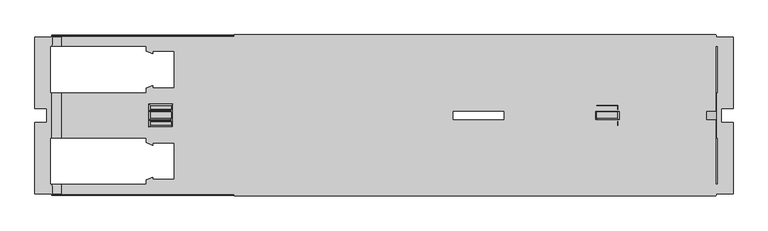
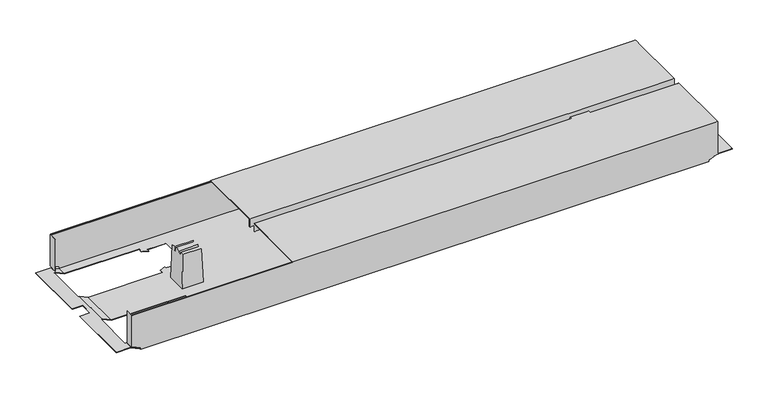
"""IFC4 building model written with IfcOpenShell, lengths in millimetres: furniture geometry."""

from ifc_helpers import new_model, si_unit, origin, place, context, project, spatial, triangles, source, transform, mapped, element, save


def furniture_945a3457(model_context):
    return source(origin(), model_context, "Body", "Tessellation", [
        triangles([(3602.0150716, -262.1618406, 526.9999909), (3602.0150716, -262.1618406, 507.9999879), (4630.0151144, -262.1618406, 526.9999909), (4630.0151144, -262.1618406, 507.9999879), (3602.0150716, -423.2618455, 526.9999909), (4630.0151144, -423.2618455, 526.9999909), (3602.0150716, -423.2618455, 507.9999879), (4630.0151144, -423.2618455, 507.9999879), (3602.0150716, -424.261839, 507.9999879), (4630.0151144, -424.261839, 507.9999879), (3602.0150716, -424.261839, 528.0000026), (4630.0151144, -424.261839, 528.0000026), (3602.0150716, -261.161838, 528.0000026), (4630.0151144, -261.161838, 528.0000026), (3602.0150716, -261.161838, 507.9999879), (4630.0151144, -261.161838, 507.9999879), (3602.0150716, -444.0618295, 526.9999909), (3602.0150716, -444.0618295, 507.9999879), (4630.0151144, -444.0618295, 526.9999909), (4630.0151144, -444.0618295, 507.9999879), (3602.0150716, -605.1618435, 526.9999909), (4630.0151144, -605.1618435, 526.9999909), (3602.0150716, -605.1618435, 507.9999879), (4630.0151144, -605.1618435, 507.9999879), (3602.0150716, -606.1618552, 507.9999879), (4630.0151144, -606.1618552, 507.9999879), (3602.0150716, -606.1618552, 528.0000026), (4630.0151144, -606.1618552, 528.0000026), (3602.0150716, -443.0618542, 528.0000026), (4630.0151144, -443.0618542, 528.0000026), (3602.0150716, -443.0618542, 507.9999879), (4630.0151144, -443.0618542, 507.9999879), (3234.5151197, -605.1618435, 432.000012), (4609.5152029, -605.1618435, 432.000012), (3234.5151197, -605.1618435, 435.9999859), (4609.5152029, -605.1618435, 435.9999859), (3214.5151777, -605.1618435, 445.3260155), (4629.5151449, -605.1618435, 445.3260155), (3214.5151777, -605.1618435, 526.0000156), (4629.5151449, -605.1618435, 526.0000156), (4631.5150228, -605.1618435, 445.3260155), (4631.5150228, -605.1618435, 526.0000156), (3212.5150091, -605.1618435, 526.0000156), (3212.5150091, -605.1618435, 445.3260155), (4179.1150205, -394.4618411, 432.000012), (4369.4150327, -492.4618549, 432.000012), (4179.1150205, -472.8618521, 432.000012), (4369.4150327, -570.8618296, 432.000012), (4118.9152067, -483.661847, 432.000012), (3474.6149992, -570.8618296, 432.000012), (4068.915061, -483.661847, 432.000012), (3474.6149992, -492.4618549, 432.000012), (3474.6149992, -374.8618383, 432.000012), (3414.4151853, -385.6618332, 432.000012), (3428.2152151, -374.8618383, 432.000012), (3414.4151853, -375.3778497, 432.000012), (3428.2152151, -369.6618468, 432.000012), (4132.7152364, -394.4618411, 432.000012), (4118.9152067, -383.6618462, 432.000012), (4369.4150327, -296.4618454, 432.000012), (4369.4150327, -374.8618383, 432.000012), (4132.7152364, -399.6618507, 432.000012), (4118.9152067, -394.0438433, 432.000012), (3474.6149992, -296.4618454, 432.000012), (4068.915061, -383.6618462, 432.000012), (4132.7152364, -472.8618521, 432.000012), (4118.9152067, -473.2798499, 432.000012), (4132.7152364, -467.6618425, 432.000012), (3414.4151853, -581.6618245, 432.000012), (4429.6151373, -581.6618245, 432.000012), (4609.5152029, -601.6618392, 432.000012), (4610.5151418, -581.6618245, 432.000012), (4610.5151418, -601.6618392, 432.000012), (3234.5151197, -601.6618392, 432.000012), (3233.5151807, -581.6618245, 432.000012), (3233.5151807, -601.6618392, 432.000012), (3414.4151853, -571.3778592, 432.000012), (3428.2152151, -570.8618296, 432.000012), (4415.8151075, -570.8618296, 432.000012), (3428.2152151, -565.6618563, 432.000012), (3414.4151853, -481.66186, 432.000012), (3428.2152151, -492.4618549, 432.000012), (3414.4151853, -491.9458253, 432.000012), (3428.2152151, -497.6618282, 432.000012), (3233.5151807, -481.66186, 432.000012), (3233.5151807, -385.6618332, 432.000012), (3428.2152151, -296.4618454, 432.000012), (3414.4151853, -285.6618415, 432.000012), (4429.6151373, -285.6618415, 432.000012), (4415.8151075, -296.4618454, 432.000012), (4429.6151373, -295.945834, 432.000012), (4415.8151075, -301.6618369, 432.000012), (3428.2152151, -301.6618369, 432.000012), (3414.4151853, -295.945834, 432.000012), (3233.5151807, -285.6618415, 432.000012), (3234.5151197, -265.661845, 432.000012), (3234.5151197, -262.1618406, 432.000012), (4609.5152029, -262.1618406, 432.000012), (3233.5151807, -265.661845, 432.000012), (4609.5152029, -265.661845, 432.000012), (4610.5151418, -285.6618415, 432.000012), (4610.5151418, -265.661845, 432.000012), (4415.8151075, -374.8618383, 432.000012), (4429.6151373, -385.6618332, 432.000012), (4429.6151373, -481.66186, 432.000012), (4415.8151075, -492.4618549, 432.000012), (4429.6151373, -491.9458253, 432.000012), (4415.8151075, -497.6618282, 432.000012), (4415.8151075, -369.6618468, 432.000012), (4429.6151373, -375.3778497, 432.000012), (4610.5151418, -385.6618332, 432.000012), (4610.5151418, -481.66186, 432.000012), (4415.8151075, -565.6618563, 432.000012), (4429.6151373, -571.3778592, 432.000012), (4179.1150205, -472.8618521, 432.9999873), (4369.4150327, -374.8618383, 432.9999873), (4179.1150205, -394.4618411, 432.9999873), (4369.4150327, -296.4618454, 432.9999873), (4118.9152067, -383.6618462, 432.9999873), (3474.6149992, -296.4618454, 432.9999873), (4068.915061, -383.6618462, 432.9999873), (3474.6149992, -374.8618383, 432.9999873), (3474.6149992, -492.4618549, 432.9999873), (3414.4151853, -481.66186, 432.9999873), (3428.2152151, -492.4618549, 432.9999873), (3414.4151853, -491.9458253, 432.9999873), (3428.2152151, -497.6618282, 432.9999873), (4132.7152364, -472.8618521, 432.9999873), (4118.9152067, -483.661847, 432.9999873), (4369.4150327, -570.8618296, 432.9999873), (4369.4150327, -492.4618549, 432.9999873), (4132.7152364, -467.6618425, 432.9999873), (4118.9152067, -473.2798499, 432.9999873), (3474.6149992, -570.8618296, 432.9999873), (4068.915061, -483.661847, 432.9999873), (4132.7152364, -394.4618411, 432.9999873), (4118.9152067, -394.0438433, 432.9999873), (4132.7152364, -399.6618507, 432.9999873), (4610.2930624, -285.6618415, 432.9999873), (4609.5152029, -265.661845, 432.9999873), (4429.6151373, -285.6618415, 432.9999873), (4609.5152029, -263.1618431, 432.9999873), (3414.4151853, -285.6618415, 432.9999873), (3234.5151197, -263.1618431, 432.9999873), (3234.5151197, -265.661845, 432.9999873), (4610.2930624, -265.661845, 432.9999873), (3233.7372602, -265.661845, 432.9999873), (3233.7372602, -285.6618415, 432.9999873), (3414.4151853, -295.945834, 432.9999873), (3428.2152151, -296.4618454, 432.9999873), (4415.8151075, -296.4618454, 432.9999873), (3428.2152151, -301.6618369, 432.9999873), (3414.4151853, -385.6618332, 432.9999873), (3428.2152151, -374.8618383, 432.9999873), (3414.4151853, -375.3778497, 432.9999873), (3428.2152151, -369.6618468, 432.9999873), (3233.7372602, -385.6618332, 432.9999873), (3233.7372602, -481.66186, 432.9999873), (3428.2152151, -570.8618296, 432.9999873), (3414.4151853, -581.6618245, 432.9999873), (4429.6151373, -581.6618245, 432.9999873), (4415.8151075, -570.8618296, 432.9999873), (4429.6151373, -571.3778592, 432.9999873), (4415.8151075, -565.6618563, 432.9999873), (3428.2152151, -565.6618563, 432.9999873), (3414.4151853, -571.3778592, 432.9999873), (3233.7372602, -581.6618245, 432.9999873), (3234.5151197, -601.6618392, 432.9999873), (3234.5151197, -604.1618319, 432.9999873), (4609.5152029, -604.1618319, 432.9999873), (3233.7372602, -601.6618392, 432.9999873), (4609.5152029, -601.6618392, 432.9999873), (4610.2930624, -581.6618245, 432.9999873), (4610.2930624, -601.6618392, 432.9999873), (4415.8151075, -492.4618549, 432.9999873), (4429.6151373, -481.66186, 432.9999873), (4429.6151373, -385.6618332, 432.9999873), (4415.8151075, -374.8618383, 432.9999873), (4429.6151373, -375.3778497, 432.9999873), (4415.8151075, -369.6618468, 432.9999873), (4415.8151075, -497.6618282, 432.9999873), (4429.6151373, -491.9458253, 432.9999873), (4610.2930624, -481.66186, 432.9999873), (4610.2930624, -385.6618332, 432.9999873), (4415.8151075, -301.6618369, 432.9999873), (4429.6151373, -295.945834, 432.9999873), (3234.5151197, -604.1618319, 435.9999859), (4609.5152029, -604.1618319, 435.9999859), (3214.5151777, -604.1618319, 445.3260155), (4629.5151449, -604.1618319, 445.3260155), (4629.5151449, -604.1618319, 511.9999981), (4630.5150838, -604.1618319, 445.3260155), (4630.5150838, -604.1618319, 526.0000156), (4629.5151449, -604.1618319, 526.0000156), (3214.5151777, -604.1618319, 511.9999981), (3213.5152387, -604.1618319, 445.3260155), (3213.5152387, -604.1618319, 526.0000156), (3214.5151777, -604.1618319, 526.0000156), (3214.5151777, -264.1618457, 526.0000156), (4629.5151449, -264.1618457, 526.0000156), (3214.5151777, -263.8688403, 526.7069856), (4629.5151449, -263.8688403, 526.7069856), (3214.5151777, -263.1618431, 526.9999909), (4629.5151449, -263.1618431, 526.9999909), (3214.5151777, -262.4548459, 526.7069856), (4629.5151449, -262.4548459, 526.7069856), (3214.5151777, -262.1618406, 526.0000156), (4629.5151449, -262.1618406, 526.0000156), (3214.5151777, -264.1618457, 511.9999981), (4629.5151449, -264.1618457, 511.9999981), (3214.5151777, -263.1618431, 511.9999981), (4629.5151449, -263.1618431, 511.9999981), (3214.5151777, -603.1618566, 511.9999981), (4629.5151449, -603.1618566, 511.9999981), (3214.5151777, -603.1618566, 526.0000156), (4629.5151449, -603.1618566, 526.0000156), (3214.5151777, -604.8688382, 526.7069856), (4629.5151449, -604.8688382, 526.7069856), (3214.5151777, -604.1618319, 526.9999909), (4629.5151449, -604.1618319, 526.9999909), (3214.5151777, -603.4548256, 526.7069856), (4629.5151449, -603.4548256, 526.7069856), (3214.5151777, -262.1618406, 445.3260155), (3212.5150091, -262.1618406, 445.3260155), (3212.5150091, -262.1618406, 526.0000156), (4629.5151449, -262.1618406, 445.3260155), (4631.5150228, -262.1618406, 526.0000156), (4631.5150228, -262.1618406, 445.3260155), (3234.5151197, -262.1618406, 435.9999859), (4609.5152029, -262.1618406, 435.9999859), (4629.5151449, -263.1618431, 445.3260155), (3214.5151777, -263.1618431, 445.3260155), (4609.5152029, -263.1618431, 435.9999859), (3234.5151197, -263.1618431, 435.9999859), (4630.5150838, -263.1618431, 445.3260155), (4630.5150838, -263.1618431, 526.0000156), (4629.5151449, -263.1618431, 526.0000156), (3213.5152387, -263.1618431, 445.3260155), (3213.5152387, -263.1618431, 526.0000156), (3214.5151777, -263.1618431, 526.0000156), (4631.9600538, -481.66186, 441.999983), (4631.9600538, -385.6618332, 441.999983), (4634.6151243, -481.66186, 441.999983), (4634.6151243, -385.6618332, 441.999983), (4642.5152235, -418.6618356, 441.999983), (4634.6151243, -285.6618415, 441.999983), (4667.515151, -265.661845, 441.999983), (4631.9600538, -265.661845, 441.999983), (4631.9600538, -285.6618415, 441.999983), (4667.515151, -418.6618356, 441.999983), (4642.5152235, -448.6618394, 441.999983), (4634.6151243, -581.6618245, 441.999983), (4667.515151, -601.6618392, 441.999983), (4631.9600538, -601.6618392, 441.999983), (4667.515151, -448.6618394, 441.999983), (4631.9600538, -581.6618245, 441.999983), (4634.6151243, -481.66186, 442.9999947), (4634.6151243, -581.6618245, 442.9999947), (4631.738265, -385.6618332, 442.9999947), (4631.738265, -481.66186, 442.9999947), (4634.6151243, -285.6618415, 442.9999947), (4634.6151243, -385.6618332, 442.9999947), (4642.5152235, -418.6618356, 442.9999947), (4667.515151, -265.661845, 442.9999947), (4631.738265, -265.661845, 442.9999947), (4642.5152235, -448.6618394, 442.9999947), (4667.515151, -601.6618392, 442.9999947), (4631.738265, -601.6618392, 442.9999947), (4631.738265, -581.6618245, 442.9999947), (4667.515151, -448.6618394, 442.9999947), (4667.515151, -418.6618356, 442.9999947), (4631.738265, -285.6618415, 442.9999947), (4630.5150838, -282.1618462, 526.0000156), (4630.5150838, -282.1618462, 445.3260155), (4631.5150228, -282.1618462, 445.3260155), (4631.5150228, -282.1618462, 526.0000156), (4630.5150838, -585.1618289, 445.3260155), (4630.5150838, -585.1618289, 526.0000156), (4631.5150228, -585.1618289, 445.3260155), (4631.5150228, -585.1618289, 526.0000156), (3212.5150091, -585.1618289, 526.0000156), (3212.5150091, -585.1618289, 445.3260155), (3213.5152387, -585.1618289, 526.0000156), (3213.5152387, -585.1618289, 445.3260155), (3212.5150091, -282.1618462, 445.3260155), (3212.5150091, -282.1618462, 526.0000156), (3213.5152387, -282.1618462, 445.3260155), (3213.5152387, -282.1618462, 526.0000156), (3212.2920576, -385.6618332, 442.9999947), (3212.2920576, -481.66186, 442.9999947), (3212.0702688, -481.66186, 441.999983), (3212.0702688, -385.6618332, 441.999983), (3209.4151983, -581.6618245, 441.999983), (3201.5150991, -448.6618394, 441.999983), (3209.4151983, -481.66186, 441.999983), (3201.5150991, -418.6618356, 441.999983), (3209.4151983, -385.6618332, 441.999983), (3209.4151983, -285.6618415, 441.999983), (3176.5151716, -265.661845, 441.999983), (3212.0702688, -265.661845, 441.999983), (3212.0702688, -581.6618245, 441.999983), (3212.0702688, -601.6618392, 441.999983), (3176.5151716, -601.6618392, 441.999983), (3176.5151716, -448.6618394, 441.999983), (3176.5151716, -418.6618356, 441.999983), (3212.0702688, -285.6618415, 441.999983), (3176.5151716, -448.6618394, 442.9999947), (3176.5151716, -601.6618392, 442.9999947), (3201.5150991, -448.6618394, 442.9999947), (3209.4151983, -581.6618245, 442.9999947), (3209.4151983, -481.66186, 442.9999947), (3212.2920576, -601.6618392, 442.9999947), (3212.2920576, -581.6618245, 442.9999947), (3209.4151983, -385.6618332, 442.9999947), (3201.5150991, -418.6618356, 442.9999947), (3209.4151983, -285.6618415, 442.9999947), (3176.5151716, -265.661845, 442.9999947), (3212.2920576, -265.661845, 442.9999947), (3212.2920576, -285.6618415, 442.9999947), (3176.5151716, -418.6618356, 442.9999947), (4421.5470251, -440.5628425, 519.5000127), (4421.8961317, -442.5618484, 509.5000053), (4421.5470251, -426.7608507, 519.5000127), (4421.8961317, -424.7618448, 509.5000053), (4424.5151579, -458.161841, 433.4999931), (4424.5151579, -409.1618341, 433.4999931), (4421.8961317, -444.5618353, 509.5000053), (4421.5821973, -455.2288441, 518.500001), (4421.5821973, -446.3608534, 518.500001), (4421.8961317, -422.7618397, 509.5000053), (4421.5821973, -412.0948491, 518.500001), (4421.5821973, -420.9628398, 518.500001), (4376.4832059, -440.5628425, 519.5000127), (4376.4832059, -426.7608507, 519.5000127), (4376.1340993, -442.5618484, 509.5000053), (4376.1340993, -424.7618448, 509.5000053), (4373.5150732, -458.161841, 433.4999931), (4373.5150732, -409.1618341, 433.4999931), (4376.1340993, -422.7618397, 509.5000053), (4376.4480337, -412.0948491, 518.500001), (4376.4480337, -420.9628398, 518.500001), (4376.1340993, -444.5618353, 509.5000053), (4376.4480337, -455.2288441, 518.500001), (4376.4480337, -446.3608534, 518.500001), (3467.5471166, -440.5628425, 519.5000127), (3467.8962232, -442.5618484, 509.5000053), (3467.5471166, -426.7608507, 519.5000127), (3467.8962232, -424.7618448, 509.5000053), (3470.5152494, -458.161841, 433.4999931), (3470.5152494, -409.1618341, 433.4999931), (3467.8962232, -444.5618353, 509.5000053), (3467.5819982, -455.2288441, 518.500001), (3467.5819982, -446.3608534, 518.500001), (3467.8962232, -422.7618397, 509.5000053), (3467.5819982, -412.0948491, 518.500001), (3467.5819982, -420.9628398, 518.500001), (3422.4830068, -440.5628425, 519.5000127), (3422.4830068, -426.7608507, 519.5000127), (3422.1341909, -442.5618484, 509.5000053), (3422.1341909, -424.7618448, 509.5000053), (3419.5151647, -458.161841, 433.4999931), (3419.5151647, -409.1618341, 433.4999931), (3422.1341909, -422.7618397, 509.5000053), (3422.4481252, -412.0948491, 518.500001), (3422.4481252, -420.9628398, 518.500001), (3422.1341909, -444.5618353, 509.5000053), (3422.4481252, -455.2288441, 518.500001), (3422.4481252, -446.3608534, 518.500001)], [[1, 2, 3], [3, 2, 4], [5, 1, 6], [6, 1, 3], [7, 5, 8], [8, 5, 6], [9, 7, 10], [10, 7, 8], [11, 9, 12], [12, 9, 10], [13, 11, 14], [14, 11, 12], [15, 13, 16], [16, 13, 14], [2, 15, 4], [4, 15, 16], [2, 1, 15], [15, 1, 13], [13, 1, 5], [13, 5, 11], [11, 5, 9], [9, 5, 7], [4, 16, 3], [14, 3, 16], [6, 3, 14], [12, 6, 14], [10, 6, 12], [10, 8, 6], [17, 18, 19], [19, 18, 20], [21, 17, 22], [22, 17, 19], [23, 21, 24], [24, 21, 22], [25, 23, 26], [26, 23, 24], [27, 25, 28], [28, 25, 26], [29, 27, 30], [30, 27, 28], [31, 29, 32], [32, 29, 30], [18, 31, 20], [20, 31, 32], [18, 17, 31], [31, 17, 29], [29, 17, 21], [29, 21, 27], [27, 21, 25], [25, 21, 23], [20, 32, 19], [30, 19, 32], [22, 19, 30], [28, 22, 30], [26, 22, 28], [26, 24, 22], [33, 34, 35], [35, 34, 36], [37, 35, 36], [37, 36, 38], [37, 38, 39], [39, 38, 40], [40, 38, 41], [40, 41, 42], [39, 43, 37], [37, 43, 44], [45, 46, 47], [47, 46, 48], [49, 47, 48], [50, 49, 48], [49, 50, 51], [51, 50, 52], [51, 52, 53], [53, 52, 54], [53, 54, 55], [55, 54, 56], [57, 55, 56], [45, 58, 59], [60, 45, 59], [45, 60, 61], [62, 63, 58], [58, 63, 59], [60, 59, 64], [64, 59, 65], [64, 65, 53], [53, 65, 51], [47, 49, 66], [66, 49, 67], [68, 66, 67], [33, 69, 34], [34, 69, 70], [34, 70, 71], [71, 70, 72], [71, 72, 73], [33, 74, 69], [69, 74, 75], [75, 74, 76], [69, 77, 78], [69, 78, 50], [69, 50, 70], [70, 50, 48], [70, 48, 79], [77, 80, 78], [54, 52, 81], [81, 52, 82], [81, 82, 83], [83, 82, 84], [85, 86, 81], [81, 86, 54], [64, 87, 88], [89, 64, 88], [64, 89, 60], [60, 89, 90], [90, 89, 91], [92, 90, 91], [93, 94, 87], [87, 94, 88], [95, 96, 88], [88, 96, 97], [98, 88, 97], [95, 99, 96], [88, 98, 89], [89, 98, 100], [89, 100, 101], [101, 100, 102], [61, 103, 104], [61, 104, 105], [61, 105, 46], [46, 105, 106], [106, 105, 107], [108, 106, 107], [109, 110, 103], [103, 110, 104], [111, 112, 104], [104, 112, 105], [113, 114, 79], [79, 114, 70], [45, 61, 46], [115, 116, 117], [117, 116, 118], [119, 117, 118], [120, 119, 118], [119, 120, 121], [121, 120, 122], [121, 122, 123], [123, 122, 124], [123, 124, 125], [125, 124, 126], [127, 125, 126], [115, 128, 129], [130, 115, 129], [115, 130, 131], [132, 133, 128], [128, 133, 129], [130, 129, 134], [134, 129, 135], [134, 135, 123], [123, 135, 121], [117, 119, 136], [136, 119, 137], [138, 136, 137], [139, 140, 141], [141, 140, 142], [143, 141, 142], [144, 143, 142], [143, 144, 145], [139, 146, 140], [147, 148, 145], [145, 148, 143], [143, 149, 150], [143, 150, 120], [143, 120, 141], [141, 120, 118], [141, 118, 151], [149, 152, 150], [124, 122, 153], [153, 122, 154], [153, 154, 155], [155, 154, 156], [157, 158, 153], [153, 158, 124], [134, 159, 160], [161, 134, 160], [134, 161, 130], [130, 161, 162], [162, 161, 163], [164, 162, 163], [165, 166, 159], [159, 166, 160], [167, 168, 160], [160, 168, 169], [170, 160, 169], [167, 171, 168], [160, 170, 161], [161, 170, 172], [161, 172, 173], [173, 172, 174], [131, 175, 176], [131, 176, 177], [131, 177, 116], [116, 177, 178], [178, 177, 179], [180, 178, 179], [181, 182, 175], [175, 182, 176], [183, 184, 176], [176, 184, 177], [185, 186, 151], [151, 186, 141], [115, 131, 116], [169, 187, 170], [170, 187, 188], [188, 187, 189], [190, 188, 189], [190, 189, 191], [190, 191, 192], [192, 191, 193], [193, 191, 194], [191, 189, 195], [195, 189, 196], [197, 195, 196], [197, 198, 195], [199, 200, 201], [201, 200, 202], [201, 202, 203], [203, 202, 204], [203, 204, 205], [205, 204, 206], [205, 206, 207], [207, 206, 208], [209, 210, 199], [199, 210, 200], [211, 212, 209], [209, 212, 210], [213, 214, 195], [195, 214, 191], [215, 216, 213], [213, 216, 214], [39, 40, 217], [217, 40, 218], [217, 218, 219], [219, 218, 220], [219, 220, 221], [221, 220, 222], [221, 222, 215], [215, 222, 216], [208, 223, 207], [207, 223, 224], [207, 224, 225], [223, 208, 226], [226, 208, 227], [226, 227, 228], [223, 226, 229], [229, 226, 230], [229, 230, 97], [97, 230, 98], [231, 232, 233], [233, 232, 234], [233, 234, 144], [232, 231, 212], [212, 231, 235], [236, 212, 235], [236, 237, 212], [212, 211, 232], [232, 211, 238], [238, 211, 239], [239, 211, 240], [144, 142, 233], [45, 47, 117], [117, 47, 115], [47, 66, 115], [115, 66, 128], [133, 132, 67], [67, 132, 68], [67, 49, 133], [133, 49, 129], [49, 51, 129], [129, 51, 135], [58, 45, 136], [136, 45, 117], [137, 119, 63], [63, 119, 59], [63, 62, 137], [137, 62, 138], [65, 59, 121], [121, 59, 119], [62, 58, 138], [138, 58, 136], [51, 65, 135], [135, 65, 121], [132, 128, 68], [68, 128, 66], [46, 106, 131], [131, 106, 175], [106, 108, 175], [175, 108, 181], [48, 46, 130], [130, 46, 131], [108, 107, 181], [181, 107, 182], [107, 105, 182], [182, 105, 176], [70, 114, 161], [161, 114, 163], [114, 113, 163], [163, 113, 164], [113, 79, 164], [164, 79, 162], [79, 48, 162], [162, 48, 130], [109, 103, 180], [180, 103, 178], [103, 61, 178], [178, 61, 116], [104, 110, 177], [177, 110, 179], [110, 109, 179], [179, 109, 180], [61, 60, 116], [116, 60, 118], [60, 90, 118], [118, 90, 151], [91, 89, 186], [186, 89, 141], [186, 185, 91], [91, 185, 92], [185, 151, 92], [92, 151, 90], [241, 242, 243], [243, 242, 244], [243, 244, 245], [245, 244, 246], [245, 246, 247], [247, 246, 248], [248, 246, 249], [247, 250, 245], [245, 251, 243], [252, 243, 251], [253, 252, 251], [252, 253, 254], [251, 255, 253], [254, 256, 252], [243, 252, 257], [257, 252, 258], [111, 242, 112], [112, 242, 241], [259, 184, 260], [260, 184, 183], [246, 244, 261], [261, 244, 262], [260, 257, 259], [259, 257, 262], [262, 257, 263], [261, 262, 263], [264, 261, 263], [261, 264, 265], [263, 257, 266], [266, 257, 258], [266, 258, 267], [267, 258, 268], [268, 258, 269], [267, 270, 266], [263, 271, 264], [265, 272, 261], [273, 236, 274], [274, 236, 235], [275, 228, 276], [276, 228, 227], [102, 248, 101], [101, 248, 249], [265, 146, 272], [272, 146, 139], [264, 271, 247], [247, 271, 250], [271, 263, 250], [250, 263, 245], [270, 267, 255], [255, 267, 253], [255, 251, 270], [270, 251, 266], [263, 266, 245], [245, 266, 251], [72, 256, 73], [73, 256, 254], [174, 268, 173], [173, 268, 269], [277, 192, 278], [278, 192, 193], [277, 278, 279], [279, 278, 280], [41, 279, 42], [42, 279, 280], [277, 279, 192], [41, 192, 279], [38, 192, 41], [38, 190, 192], [275, 276, 274], [274, 276, 273], [81, 83, 124], [124, 83, 126], [83, 84, 126], [126, 84, 127], [82, 52, 125], [125, 52, 123], [52, 50, 123], [123, 50, 134], [50, 78, 134], [134, 78, 159], [166, 165, 77], [77, 165, 80], [77, 69, 166], [166, 69, 160], [78, 80, 159], [159, 80, 165], [84, 82, 127], [127, 82, 125], [53, 55, 122], [122, 55, 154], [55, 57, 154], [154, 57, 156], [57, 56, 156], [156, 56, 155], [152, 149, 93], [93, 149, 94], [93, 87, 152], [152, 87, 150], [87, 64, 150], [150, 64, 120], [88, 94, 143], [143, 94, 149], [56, 54, 155], [155, 54, 153], [64, 53, 120], [120, 53, 122], [43, 281, 44], [44, 281, 282], [283, 197, 284], [284, 197, 196], [224, 285, 225], [225, 285, 286], [287, 285, 238], [224, 238, 285], [223, 238, 224], [223, 232, 238], [239, 288, 238], [238, 288, 287], [157, 289, 158], [158, 289, 290], [85, 291, 86], [86, 291, 292], [293, 294, 295], [295, 294, 296], [295, 296, 297], [298, 297, 296], [299, 298, 296], [298, 299, 300], [301, 302, 293], [293, 302, 303], [294, 293, 303], [294, 303, 304], [296, 305, 299], [300, 306, 298], [297, 292, 295], [295, 292, 291], [307, 308, 309], [309, 308, 310], [309, 310, 311], [308, 312, 310], [310, 312, 313], [290, 289, 311], [311, 289, 314], [311, 314, 315], [315, 314, 316], [315, 316, 317], [317, 316, 318], [318, 316, 319], [317, 320, 315], [315, 309, 311], [297, 298, 314], [314, 298, 316], [293, 295, 310], [310, 295, 311], [283, 284, 281], [281, 284, 282], [312, 171, 313], [313, 171, 167], [143, 148, 88], [88, 148, 95], [95, 148, 306], [319, 306, 148], [306, 319, 316], [316, 298, 306], [145, 96, 147], [147, 96, 99], [300, 147, 99], [299, 317, 300], [318, 300, 317], [147, 300, 318], [140, 100, 142], [98, 142, 100], [230, 142, 98], [230, 233, 142], [248, 102, 146], [146, 102, 100], [146, 100, 140], [146, 265, 248], [264, 248, 265], [248, 264, 247], [177, 184, 104], [104, 184, 111], [111, 184, 242], [259, 242, 184], [242, 259, 262], [262, 244, 242], [257, 260, 241], [183, 241, 260], [241, 183, 112], [112, 183, 105], [105, 183, 176], [241, 243, 257], [161, 173, 70], [70, 173, 72], [72, 173, 256], [269, 256, 173], [256, 269, 258], [258, 252, 256], [267, 268, 254], [174, 254, 268], [254, 174, 73], [73, 174, 71], [71, 174, 172], [254, 253, 267], [168, 74, 169], [33, 169, 74], [35, 169, 33], [35, 187, 169], [95, 306, 99], [99, 306, 300], [76, 302, 75], [75, 302, 301], [147, 318, 148], [148, 318, 319], [297, 314, 292], [292, 314, 289], [157, 292, 289], [153, 54, 157], [86, 157, 54], [292, 157, 86], [293, 310, 301], [301, 310, 313], [167, 301, 313], [160, 69, 167], [75, 167, 69], [301, 167, 75], [312, 302, 171], [76, 171, 302], [171, 76, 74], [312, 308, 302], [302, 308, 303], [74, 168, 171], [304, 303, 307], [307, 303, 308], [307, 309, 304], [304, 309, 294], [309, 315, 294], [294, 315, 296], [315, 320, 296], [296, 320, 305], [320, 317, 305], [305, 317, 299], [124, 158, 81], [81, 158, 85], [85, 158, 291], [290, 291, 158], [291, 290, 311], [311, 295, 291], [35, 37, 187], [187, 37, 189], [189, 37, 196], [44, 196, 37], [282, 196, 44], [282, 284, 196], [283, 281, 197], [43, 197, 281], [197, 43, 39], [39, 198, 197], [39, 217, 198], [198, 217, 219], [198, 219, 221], [221, 215, 198], [195, 198, 213], [213, 198, 215], [214, 216, 191], [191, 216, 194], [216, 222, 194], [194, 222, 220], [194, 220, 218], [218, 40, 194], [194, 40, 193], [193, 40, 42], [280, 193, 42], [280, 278, 193], [38, 36, 190], [190, 36, 188], [188, 36, 170], [34, 170, 36], [71, 170, 34], [71, 172, 170], [246, 261, 249], [249, 261, 272], [139, 249, 272], [141, 89, 139], [101, 139, 89], [249, 139, 101], [230, 226, 233], [233, 226, 231], [231, 226, 235], [228, 235, 226], [275, 235, 228], [275, 274, 235], [273, 276, 236], [227, 236, 276], [208, 236, 227], [208, 237, 236], [208, 206, 237], [237, 206, 204], [237, 204, 202], [202, 200, 237], [212, 237, 210], [210, 237, 200], [209, 199, 211], [211, 199, 240], [199, 201, 240], [240, 201, 203], [240, 203, 205], [205, 207, 240], [240, 207, 239], [225, 239, 207], [286, 239, 225], [286, 288, 239], [286, 285, 288], [288, 285, 287], [223, 229, 232], [232, 229, 234], [234, 229, 144], [97, 144, 229], [96, 144, 97], [96, 145, 144], [323, 321, 322], [323, 322, 324], [324, 322, 325], [324, 325, 326], [322, 327, 325], [325, 327, 328], [328, 327, 329], [324, 326, 330], [331, 330, 326], [330, 331, 332], [335, 333, 334], [335, 334, 336], [337, 335, 336], [337, 336, 338], [338, 336, 339], [338, 339, 340], [340, 339, 341], [335, 337, 342], [343, 342, 337], [342, 343, 344], [321, 323, 333], [333, 323, 334], [322, 321, 333], [322, 333, 335], [334, 323, 324], [334, 324, 336], [324, 330, 336], [336, 330, 339], [330, 332, 341], [330, 341, 339], [332, 331, 341], [341, 331, 340], [340, 331, 326], [340, 326, 338], [327, 322, 342], [342, 322, 335], [344, 329, 327], [344, 327, 342], [328, 329, 343], [343, 329, 344], [325, 328, 343], [325, 343, 337], [326, 325, 338], [338, 325, 337], [347, 345, 346], [347, 346, 348], [348, 346, 349], [348, 349, 350], [346, 351, 349], [349, 351, 352], [352, 351, 353], [348, 350, 354], [355, 354, 350], [354, 355, 356], [359, 357, 358], [359, 358, 360], [361, 359, 360], [361, 360, 362], [362, 360, 363], [362, 363, 364], [364, 363, 365], [359, 361, 366], [367, 366, 361], [366, 367, 368], [345, 347, 357], [357, 347, 358], [346, 345, 357], [346, 357, 359], [358, 347, 348], [358, 348, 360], [348, 354, 360], [360, 354, 363], [354, 356, 365], [354, 365, 363], [356, 355, 365], [365, 355, 364], [364, 355, 350], [364, 350, 362], [351, 346, 366], [366, 346, 359], [368, 353, 351], [368, 351, 366], [352, 353, 367], [367, 353, 368], [349, 352, 367], [349, 367, 361], [350, 349, 362], [362, 349, 361]]),
    ])


if __name__ == "__main__":
    model = new_model("IFC4")
    model_context = context("Model", 3, world=origin())
    ifc_project = project(units=[si_unit("LENGTHUNIT", "METRE", prefix="MILLI")], contexts=[model_context])
    site = spatial("IfcSite", under=ifc_project)
    building = spatial("IfcBuilding", under=site)
    placement = place(None, origin())
    furniture_shape = furniture_945a3457(model_context)
    element("IfcFurniture", 1, at=placement, inside=building, context=model_context, shape_type="MappedRepresentation", body=[
        mapped(furniture_shape, transform((0.0, 0.0, 0.0), x_axis=(1.0, 0.0, 0.0), y_axis=(0.0, 1.0, 0.0), z_axis=(0.0, 0.0, 1.0))),
    ])
    save(model, "model.ifc")
